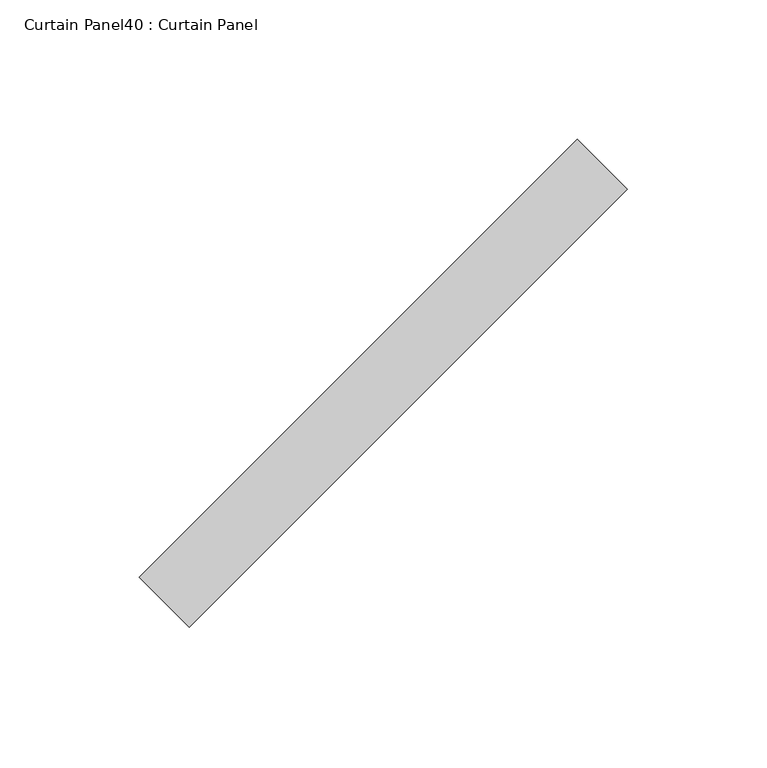
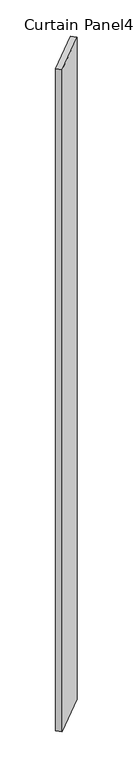
"""IFC4 building model written with IfcOpenShell, lengths in millimetres: plate geometry, Curtain Panel40 : Curtain Panel."""

from ifc_helpers import new_model, si_unit, frame, origin, place, context, project, spatial, polyline, outline, extrude, source, transform, mapped, element, save


def curtain_panel40_curtain_panel_0f58f285(model_context):
    return source(origin(), model_context, "Body", "SweptSolid", [
        extrude(outline(polyline([(57810.271076, 2488.2331592), (57653.1165939, 2331.0786771), (57635.1560817, 2349.0391894), (57792.3105638, 2506.1936715), (57810.271076, 2488.2331592)])), frame((0.0, 0.0, -626.2681873), z_axis=(0.0, 0.0, 1.0), x_axis=(1.0, 0.0, 0.0)), (0.0, 0.0, 1.0), 3048.0),
    ])


if __name__ == "__main__":
    model = new_model("IFC4")
    model_context = context("Model", 3, world=origin())
    ifc_project = project(units=[si_unit("LENGTHUNIT", "METRE", prefix="MILLI")], contexts=[model_context])
    site = spatial("IfcSite", under=ifc_project)
    building = spatial("IfcBuilding", under=site)
    placement = place(None, origin())
    curtain_panel40_curtain_panel_shape = curtain_panel40_curtain_panel_0f58f285(model_context)
    element("IfcPlate", 1, ObjectType="Curtain Panel40 : Curtain Panel", at=placement, inside=building, context=model_context, shape_type="MappedRepresentation", body=[
        mapped(curtain_panel40_curtain_panel_shape, transform((0.0, 0.0, 0.0), x_axis=(1.0, 0.0, 0.0), y_axis=(0.0, 1.0, 0.0), z_axis=(0.0, 0.0, 1.0))),
    ])
    save(model, "model.ifc")
